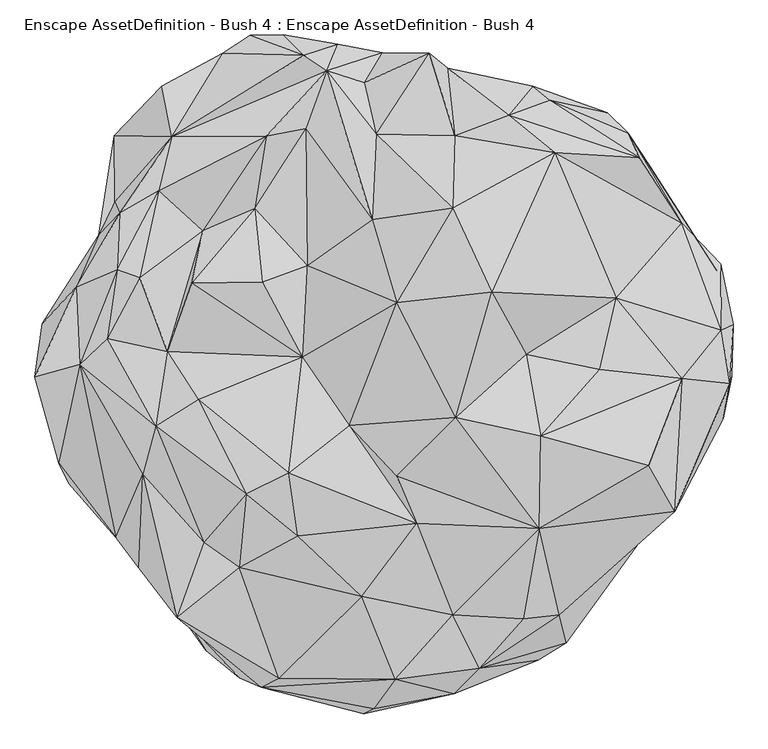
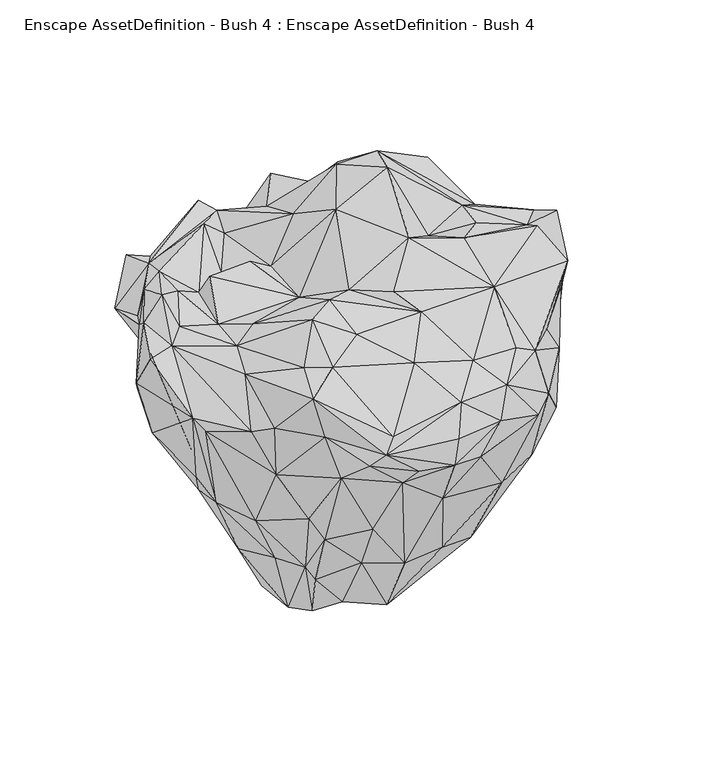
"""IFC4 building model written with IfcOpenShell, lengths in millimetres: geographic element geometry, Enscape AssetDefinition - Bush 4 : Enscape AssetDefinition - Bush 4."""

from ifc_helpers import new_model, si_unit, origin, place, context, project, spatial, faceted_brep, source, transform, mapped, element, save


def enscape_assetdefinition_bush_4_enscape_assetdefinition_bush_779d028a(model_context):
    return source(origin(), model_context, "Body", "Brep", [
        faceted_brep([(249.4028062, -47.8426404, -1.46e-05), (75.6199434, -78.1505033, -1.46e-05), (13.2693807, 74.3105188, 1.46e-05), (-22.8308663, -154.4392705, -2.93e-05), (-9.1130016, -248.140946, -4.39e-05), (216.5546715, -109.3279943, -1.46e-05), (110.2886498, -153.5763144, -2.93e-05), (-96.5590924, -183.1939667, -2.93e-05), (-68.1274161, -40.500056, 0.0), (-216.6286856, -260.0081861, 154.7204852), (-177.5252372, -179.0817827, -2.93e-05), (-109.8768637, -300.4137278, 192.3329234), (-220.8486646, -137.4396086, -2.93e-05), (-140.8030391, -33.8084139, 0.0), (-116.8996096, 58.2196899, 1.46e-05), (-242.9361641, -257.5487494, 199.0280896), (-244.2548424, -354.619503, 340.5743539), (-351.6255915, -204.552874, 343.0013955), (-283.1258178, -180.8875501, 195.4035014), (-307.1733117, -384.9096, 444.013685), (-261.3057792, -464.8991525, 595.4249501), (-137.7868056, -404.8204422, 364.4363284), (-362.2650504, -322.3157227, 554.7415018), (-485.108614, -192.0548826, 649.1913199), (-408.2668424, -111.1007929, 362.1648252), (-301.3255596, -32.3626809, 138.9887035), (-440.9353435, -70.5727339, 422.4140942), (-412.7844274, -32.3824733, 352.3062468), (-502.0490885, -158.3221108, 671.9830632), (-408.5785449, -280.4121077, 673.94346), (-467.1523273, 3.3575967, 777.0845294), (-540.6393409, -17.8043693, 775.6227255), (-528.7829041, 69.7426647, 647.5327611), (-517.9088116, 10.5951028, 532.3060155), (-430.8079779, 21.028731, 415.0625467), (-509.5239878, 99.2769748, 609.7970605), (-435.9048307, 215.1055634, 700.5298138), (-472.6350307, 129.5357943, 771.8032002), (-401.7849267, 250.9091794, 773.2482553), (-406.245172, 158.050552, 814.7345185), (-422.2629964, 45.2777259, 794.4715619), (-337.6811743, 287.8220975, 780.736208), (-369.4501221, 144.9846923, 820.5683231), (-409.8013639, 269.2476809, 685.1959825), (-316.7063296, 375.8473992, 744.0652847), (-162.1797383, 376.9814968, 806.1081767), (-265.7060921, 221.8929231, 733.0835462), (-324.50369, 24.1246875, 779.5479298), (-343.3715403, -97.6758897, 795.0295806), (-283.9291096, 136.2848878, 838.8745189), (-273.204565, -54.4724017, 810.7815385), (-103.1391248, 14.8240207, 787.0963812), (-181.303829, 258.4924996, 740.0467396), (-168.6414331, 137.7833933, 842.8617716), (-95.4522938, 164.9408191, 786.234498), (-97.4694043, 388.6401653, 748.7156987), (50.8616529, 104.0392667, 940.1963949), (11.5448767, 240.5185997, 858.9344025), (-63.0362108, 484.1785729, 747.0043898), (17.3964202, 380.2470267, 794.2706943), (142.4822956, 259.0890527, 948.2604861), (-1.614428, 464.5870328, 729.3334603), (104.6306938, 512.54493, 780.903995), (146.5296745, 377.7379692, 821.6215968), (206.8137378, 121.7495725, 1000.0), (309.8059893, 350.1298726, 874.6891022), (234.1514528, 410.6742442, 831.4935565), (134.6446127, 488.3248806, 706.6116929), (27.8090127, 513.6106014, 608.1888676), (147.9881853, 478.8750112, 634.796977), (99.2722809, 447.4554658, 445.9112585), (-45.5211811, 527.4310708, 628.913939), (273.7634182, 458.5716724, 675.8003235), (156.5047055, 442.0963228, 398.1837928), (-42.6922627, 484.5608473, 519.9882388), (64.874202, 420.2412665, 299.934119), (-134.1518164, 542.4644947, 624.2129803), (-101.1496559, 509.1825724, 775.3896713), (-188.2842332, 541.96769, 628.72082), (-233.7490916, 512.7140284, 653.6815763), (-137.8026009, 480.969131, 489.0916646), (-238.2163852, 462.6819491, 496.0657358), (-410.8712077, 377.9504001, 642.2231197), (-332.8273296, 458.547771, 725.7038355), (-344.5002735, 414.7128761, 586.5202546), (-373.5634387, 268.5092688, 560.0461364), (-303.3745289, 192.9065436, 296.6053784), (-275.4772007, 319.0590441, 377.0909607), (-383.0344081, 166.5095091, 501.825273), (-356.696099, 113.9068976, 334.7802162), (-298.4175086, 89.2495438, 181.7644238), (-276.3026655, 165.5917168, 172.575295), (-222.0014483, 206.0617954, 168.1880355), (-156.0369432, 131.963402, 1.46e-05), (-184.5891774, 68.3843419, 1.46e-05), (-230.836004, -24.9751899, 0.0), (-77.609174, 161.6206467, 2.93e-05), (-162.6725346, 231.8816632, 185.9273016), (-60.4573376, 299.1071045, 165.3154045), (19.275533, 204.4818401, 2.93e-05), (147.0442861, 57.600975, 1.46e-05), (136.3206357, 172.2864807, 2.93e-05), (35.8612128, 317.8085983, 149.8172432), (141.9751048, 314.6531582, 139.3954009), (-76.0633647, 413.3866727, 344.7253704), (146.990478, 408.067584, 272.0631957), (245.538339, 415.7915115, 355.0797999), (311.1140132, 420.4658568, 444.4908202), (263.8924122, 353.83901, 252.6097596), (395.6079185, 415.5795872, 613.7506366), (332.3648274, 338.1747007, 312.6706481), (489.2484248, 242.7762449, 403.9215744), (301.8844426, 435.6209636, 733.2056761), (465.9138918, 326.6433179, 566.5772557), (429.9403727, 381.940186, 720.126152), (447.527945, 341.9367671, 812.6766682), (517.4452066, 234.7439826, 712.9519582), (575.081408, 156.9839865, 616.3306236), (580.9161067, 167.0823246, 711.5875483), (598.8304615, -16.6964568, 672.5255251), (601.4210582, 68.7522963, 701.4688849), (559.2241883, -24.5784149, 583.5928917), (524.9707699, 123.1741905, 439.6616817), (582.3227167, 59.4827048, 780.1642418), (596.1973071, -28.3791218, 826.9869685), (585.3993297, -85.3023231, 712.3122215), (518.3176994, -19.53521, 805.3696752), (505.8800578, -237.1737808, 834.944129), (410.5898738, 111.4019975, 822.4606514), (463.3591175, -161.9185656, 908.1491232), (383.1242621, -5.3715692, 850.3980041), (286.5611911, -114.1611412, 906.1091542), (284.0105295, -265.5981779, 852.8562784), (148.0875313, -84.0106085, 936.840713), (263.1084919, 19.5343029, 839.4306302), (51.517278, -179.3002486, 867.5596714), (-26.4689457, -96.9830602, 850.4116535), (-125.4065633, -174.1343141, 902.2600651), (83.6292803, -257.2873533, 844.6467519), (142.9094672, -406.6200256, 769.2997456), (-5.7314113, -376.6874671, 795.9306836), (-110.5029434, -277.6090205, 856.6715717), (258.0860853, -413.6628509, 770.6680298), (317.0387745, -406.548351, 739.1149998), (186.5396798, -494.0811396, 734.6174121), (48.4678857, -512.1950507, 741.2956357), (414.8526788, -292.8498685, 697.930932), (328.6241889, -452.578485, 634.0019703), (470.1564312, -258.1392825, 601.7487645), (528.0355811, -165.5691415, 704.1170001), (463.3047879, -256.0144961, 425.9826839), (529.6292305, -154.2053968, 631.6472292), (445.9165335, -93.555823, 333.0651224), (442.2388673, -232.1525812, 359.4653308), (362.1168435, -312.7759099, 355.9508324), (481.0010493, 1.1082632, 327.7307153), (349.8395085, -144.291997, 198.2398778), (348.3166695, -37.9344337, 168.2895273), (314.6206141, -209.9679857, 159.3517959), (209.9188566, -277.6293755, 142.2361732), (218.2636261, -414.0394628, 383.7749958), (166.9924557, -161.6012454, -2.93e-05), (79.3314278, -366.2267029, 212.5263214), (-22.6528198, -360.4466319, 196.2831169), (16.7681314, -476.718694, 446.2246895), (-106.2725037, -494.8677123, 546.68504), (-2.8362507, -568.982482, 606.6196561), (82.0805728, -549.5612025, 591.0755396), (-206.7043781, -509.5758438, 639.9991512), (-90.606302, -545.2830791, 606.3939929), (-285.1797044, -427.5799692, 703.3727169), (-170.4436392, -525.3728032, 669.0100431), (-308.7039292, -410.7387662, 814.4803643), (13.5275945, -560.7736707, 676.0074496), (-141.9721544, -510.8382702, 705.3389549), (-370.8611727, -330.1642239, 700.7012963), (-364.6365106, -177.3339361, 766.0578489), (-264.8277879, -287.8050506, 818.2905912), (-206.4656168, -328.9937377, 823.9173293), (-194.7011948, -208.9979351, 889.0607357), (144.8589563, -535.9466672, 668.0607796), (282.2667062, -480.9500277, 604.2580605), (274.6793926, 46.1509638, 1.46e-05), (374.2895722, 12.8731746, 160.9087139), (259.0911686, 103.4638584, 1.46e-05), (305.4729998, 113.3091301, 105.949387), (298.435539, 191.1833286, 90.6611905), (441.3562119, 71.138002, 292.8106189), (404.3367803, 175.1943976, 267.7519917), (223.8836437, 298.5225618, 115.0689647)], [[[0, 1, 2]], [[3, 1, 4]], [[1, 5, 6]], [[1, 0, 5]], [[1, 6, 4]], [[1, 3, 2]], [[7, 3, 4]], [[2, 3, 8]], [[7, 8, 3]], [[9, 10, 7]], [[11, 9, 7]], [[7, 4, 11]], [[8, 7, 10]], [[8, 10, 12]], [[8, 13, 14]], [[14, 2, 8]], [[13, 8, 12]], [[15, 12, 10]], [[10, 9, 15]], [[16, 9, 11]], [[9, 16, 15]], [[17, 18, 15]], [[15, 18, 12]], [[19, 17, 15]], [[15, 16, 19]], [[16, 20, 19]], [[16, 21, 20]], [[21, 16, 11]], [[20, 22, 19]], [[17, 19, 22]], [[17, 22, 23]], [[17, 23, 24]], [[24, 18, 17]], [[18, 25, 12]], [[25, 18, 24]], [[26, 27, 24]], [[24, 27, 25]], [[28, 26, 24]], [[23, 28, 24]], [[28, 23, 29]], [[23, 22, 29]], [[28, 30, 31]], [[32, 33, 28]], [[33, 26, 28]], [[29, 30, 28]], [[31, 32, 28]], [[33, 27, 26]], [[34, 25, 27]], [[27, 33, 34]], [[33, 32, 35]], [[34, 33, 35]], [[36, 35, 32]], [[37, 36, 32]], [[37, 32, 31]], [[30, 37, 31]], [[38, 37, 39]], [[36, 37, 38]], [[39, 37, 30]], [[39, 30, 40]], [[41, 39, 42]], [[41, 38, 39]], [[42, 39, 40]], [[36, 38, 43]], [[44, 38, 41]], [[43, 38, 44]], [[45, 44, 41]], [[45, 41, 46]], [[46, 41, 42]], [[42, 47, 46]], [[40, 47, 42]], [[48, 47, 40]], [[30, 48, 40]], [[47, 49, 46]], [[47, 48, 50]], [[50, 51, 47]], [[47, 51, 49]], [[49, 52, 46]], [[52, 45, 46]], [[53, 52, 49]], [[51, 53, 49]], [[53, 54, 52]], [[55, 52, 54]], [[55, 45, 52]], [[51, 54, 53]], [[54, 51, 56]], [[54, 57, 55]], [[56, 57, 54]], [[45, 55, 58]], [[58, 55, 57]], [[58, 57, 59]], [[56, 60, 57]], [[59, 57, 60]], [[61, 58, 59]], [[62, 59, 63]], [[63, 59, 60]], [[62, 61, 59]], [[56, 64, 60]], [[64, 65, 60]], [[60, 65, 63]], [[63, 66, 67]], [[66, 63, 65]], [[67, 62, 63]], [[61, 62, 68]], [[68, 62, 67]], [[58, 61, 68]], [[68, 69, 70]], [[71, 68, 70]], [[71, 58, 68]], [[67, 69, 68]], [[72, 69, 67]], [[66, 72, 67]], [[73, 69, 72]], [[73, 70, 69]], [[71, 70, 74]], [[74, 70, 75]], [[70, 73, 75]], [[71, 74, 76]], [[71, 76, 77]], [[58, 71, 77]], [[44, 58, 77]], [[44, 45, 58]], [[76, 78, 77]], [[77, 78, 79]], [[79, 44, 77]], [[78, 76, 80]], [[80, 76, 74]], [[78, 81, 79]], [[78, 80, 81]], [[82, 83, 79]], [[84, 79, 81]], [[79, 83, 44]], [[84, 82, 79]], [[83, 82, 44]], [[44, 82, 43]], [[85, 82, 84]], [[82, 85, 36]], [[43, 82, 36]], [[86, 84, 87]], [[86, 85, 84]], [[81, 87, 84]], [[85, 86, 88]], [[36, 85, 88]], [[35, 36, 88]], [[89, 34, 88]], [[34, 35, 88]], [[88, 86, 89]], [[90, 89, 86]], [[86, 87, 91]], [[91, 90, 86]], [[92, 87, 81]], [[91, 87, 92]], [[91, 92, 93]], [[90, 91, 93]], [[90, 25, 89]], [[94, 90, 93]], [[25, 90, 94]], [[89, 25, 34]], [[25, 94, 95]], [[95, 12, 25]], [[94, 14, 13]], [[94, 13, 95]], [[94, 93, 14]], [[96, 14, 93]], [[92, 96, 93]], [[2, 14, 96]], [[97, 96, 92]], [[98, 99, 96]], [[2, 96, 99]], [[96, 97, 98]], [[100, 0, 2]], [[101, 100, 2]], [[101, 2, 99]], [[98, 102, 99]], [[99, 102, 103]], [[103, 101, 99]], [[104, 98, 97]], [[98, 104, 102]], [[104, 75, 102]], [[102, 75, 103]], [[104, 97, 81]], [[104, 81, 80]], [[104, 80, 74]], [[75, 104, 74]], [[73, 105, 75]], [[75, 105, 103]], [[105, 73, 106]], [[105, 106, 103]], [[107, 73, 72]], [[106, 73, 107]], [[106, 108, 103]], [[108, 106, 107]], [[72, 109, 107]], [[110, 108, 107]], [[107, 111, 110]], [[109, 111, 107]], [[72, 112, 109]], [[112, 72, 66]], [[113, 111, 109]], [[114, 113, 109]], [[109, 112, 114]], [[66, 115, 112]], [[114, 112, 115]], [[66, 65, 115]], [[116, 114, 115]], [[115, 65, 116]], [[117, 114, 116]], [[113, 114, 117]], [[113, 117, 111]], [[116, 118, 117]], [[119, 117, 120]], [[119, 121, 117]], [[117, 118, 120]], [[121, 122, 117]], [[117, 122, 111]], [[118, 123, 120]], [[118, 116, 123]], [[120, 123, 124]], [[124, 119, 120]], [[119, 125, 121]], [[125, 119, 124]], [[123, 126, 124]], [[126, 127, 124]], [[127, 125, 124]], [[116, 128, 123]], [[123, 128, 126]], [[129, 127, 126]], [[126, 130, 131]], [[130, 126, 128]], [[131, 129, 126]], [[129, 132, 127]], [[132, 129, 131]], [[133, 131, 134]], [[133, 132, 131]], [[134, 131, 130]], [[128, 134, 130]], [[134, 64, 133]], [[128, 64, 134]], [[64, 56, 133]], [[133, 135, 132]], [[135, 133, 136]], [[133, 56, 136]], [[65, 64, 128]], [[65, 128, 116]], [[51, 137, 136]], [[136, 137, 138]], [[56, 51, 136]], [[135, 136, 138]], [[132, 135, 138]], [[139, 138, 140]], [[139, 132, 138]], [[138, 137, 141]], [[141, 140, 138]], [[142, 132, 139]], [[127, 132, 143]], [[143, 132, 142]], [[144, 142, 139]], [[139, 145, 144]], [[140, 145, 139]], [[143, 142, 144]], [[127, 143, 146]], [[143, 147, 148]], [[143, 148, 146]], [[147, 143, 144]], [[149, 125, 127]], [[149, 127, 146]], [[149, 146, 148]], [[147, 150, 148]], [[149, 148, 151]], [[151, 148, 150]], [[125, 149, 151]], [[121, 125, 151]], [[121, 151, 150]], [[152, 150, 153]], [[150, 147, 154]], [[154, 153, 150]], [[152, 121, 150]], [[155, 122, 121]], [[152, 155, 121]], [[152, 156, 157]], [[156, 152, 153]], [[155, 152, 157]], [[153, 154, 158]], [[158, 156, 153]], [[154, 159, 158]], [[159, 154, 160]], [[160, 154, 147]], [[5, 156, 158]], [[158, 159, 161]], [[161, 5, 158]], [[5, 157, 156]], [[0, 157, 5]], [[161, 6, 5]], [[6, 161, 159]], [[4, 6, 159]], [[160, 162, 159]], [[159, 162, 4]], [[4, 163, 11]], [[162, 163, 4]], [[163, 162, 164]], [[160, 164, 162]], [[21, 11, 163]], [[165, 163, 164]], [[165, 21, 163]], [[166, 165, 164]], [[167, 166, 164]], [[164, 160, 167]], [[21, 165, 20]], [[168, 20, 165]], [[168, 165, 169]], [[169, 165, 166]], [[20, 168, 170]], [[20, 170, 22]], [[168, 169, 171]], [[170, 168, 171]], [[171, 169, 166]], [[170, 171, 172]], [[173, 145, 171]], [[172, 171, 174]], [[166, 173, 171]], [[171, 145, 174]], [[170, 172, 175]], [[22, 170, 175]], [[175, 29, 22]], [[172, 176, 175]], [[175, 176, 29]], [[29, 176, 30]], [[176, 172, 177]], [[176, 48, 30]], [[48, 176, 177]], [[177, 172, 178]], [[177, 179, 48]], [[178, 179, 177]], [[179, 50, 48]], [[141, 137, 179]], [[137, 50, 179]], [[178, 141, 179]], [[140, 141, 178]], [[140, 178, 174]], [[178, 172, 174]], [[145, 140, 174]], [[173, 180, 145]], [[145, 180, 144]], [[180, 173, 166]], [[167, 181, 180]], [[180, 181, 144]], [[167, 180, 166]], [[181, 147, 144]], [[167, 160, 181]], [[181, 160, 147]], [[51, 50, 137]], [[100, 182, 0]], [[183, 157, 0]], [[182, 183, 0]], [[182, 184, 185]], [[182, 185, 183]], [[182, 100, 184]], [[184, 100, 101]], [[101, 186, 184]], [[185, 184, 186]], [[185, 187, 183]], [[188, 187, 185]], [[188, 185, 186]], [[155, 157, 183]], [[187, 155, 183]], [[122, 155, 187]], [[187, 188, 122]], [[111, 188, 110]], [[110, 188, 186]], [[122, 188, 111]], [[101, 189, 186]], [[186, 189, 110]], [[189, 101, 103]], [[189, 108, 110]], [[103, 108, 189]], [[97, 92, 81]], [[95, 13, 12]]]),
    ])


if __name__ == "__main__":
    model = new_model("IFC4")
    model_context = context("Model", 3, world=origin())
    ifc_project = project(units=[si_unit("LENGTHUNIT", "METRE", prefix="MILLI")], contexts=[model_context])
    site = spatial("IfcSite", under=ifc_project)
    building = spatial("IfcBuilding", under=site)
    placement = place(None, origin())
    enscape_assetdefinition_bush_4_enscape_assetdefinition_bush_shape = enscape_assetdefinition_bush_4_enscape_assetdefinition_bush_779d028a(model_context)
    element("IfcGeographicElement", 1, ObjectType="Enscape AssetDefinition - Bush 4 : Enscape AssetDefinition - Bush 4", at=placement, inside=building, context=model_context, shape_type="MappedRepresentation", body=[
        mapped(enscape_assetdefinition_bush_4_enscape_assetdefinition_bush_shape, transform((0.0, 0.0, 0.0), x_axis=(1.0, 0.0, 0.0), y_axis=(0.0, 1.0, 0.0), z_axis=(0.0, 0.0, 1.0))),
    ])
    save(model, "model.ifc")
